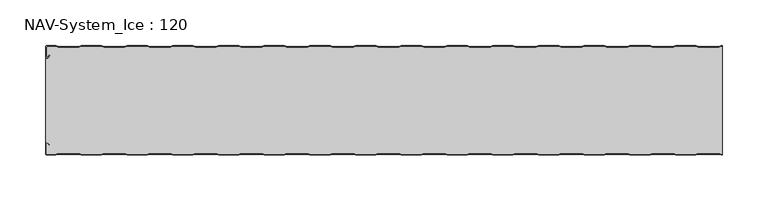
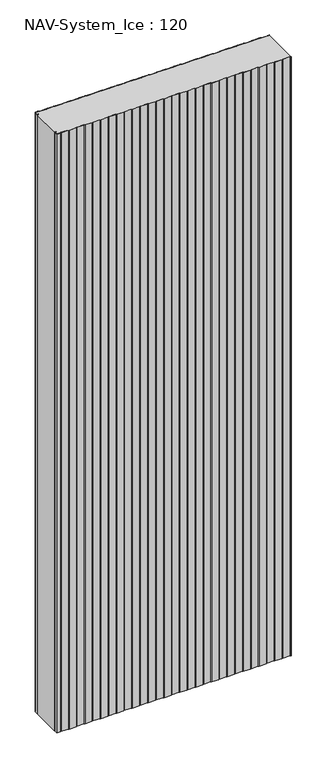
"""IFC4 building model written with IfcOpenShell, lengths in millimetres: plate geometry, NAV-System_Ice : 120."""

from ifc_helpers import new_model, si_unit, point, frame_2d, origin, origin_with_axes, place, context, project, spatial, polyline, circle_curve, trimmed, segment, composite_curve, outline, extrude, source, transform, mapped, element, save


def nav_system_ice_120_0c566bd6(model_context):
    return source(origin(), model_context, "Body", "SweptSolid", [
        extrude(outline(composite_curve([segment(polyline([(369.1298221, -0.8), (366.1298221, -1.8), (343.8701779, -1.8), (340.8701779, -0.8), (319.1298221, -0.8), (316.1298221, -1.8), (293.8701779, -1.8), (290.8701779, -0.8), (269.1298221, -0.8), (266.1298221, -1.8), (243.8701779, -1.8), (240.8701779, -0.8), (219.1298221, -0.8), (216.1298221, -1.8), (193.8701779, -1.8), (190.8701779, -0.8), (169.1298221, -0.8), (166.1298221, -1.8), (143.8701779, -1.8), (140.8701779, -0.8), (119.1298221, -0.8), (116.1298221, -1.8), (93.8701779, -1.8), (90.8701779, -0.8), (69.1298221, -0.8), (66.1298221, -1.8), (43.8701779, -1.8), (40.8701779, -0.8), (19.1298221, -0.8), (16.1298221, -1.8), (-6.1298221, -1.8), (-9.1298221, -0.8), (-30.8701779, -0.8), (-33.8701779, -1.8), (-56.1298221, -1.8), (-59.1298221, -0.8), (-80.8701779, -0.8), (-83.8701779, -1.8), (-106.1298221, -1.8), (-109.1298221, -0.8), (-130.8701779, -0.8), (-133.8701779, -1.8), (-156.1298221, -1.8), (-159.1298221, -0.8), (-180.8701779, -0.8), (-183.8701779, -1.8), (-206.1298221, -1.8), (-209.1298221, -0.8), (-230.8701779, -0.8), (-233.8701779, -1.8), (-256.1298221, -1.8), (-259.1298221, -0.8), (-280.8701779, -0.8), (-283.8701779, -1.8), (-306.1298221, -1.8), (-309.1298221, -0.8), (-330.8701779, -0.8), (-333.8701779, -1.8), (-356.1298221, -1.8), (-359.1298221, -0.8), (-368.7, -0.8)]), True, "CONTINUOUS"), segment(trimmed(circle_curve(frame_2d((-368.7, -1.3)), 0.5), [point((-368.7, -0.8))], [point((-369.2, -1.3))], True, "CARTESIAN"), True, "CONTINUOUS"), segment(polyline([(-369.2, -1.3), (-369.2, -12.5857864)]), True, "CONTINUOUS"), segment(trimmed(circle_curve(frame_2d((-368.7, -12.5857864)), 0.5), [point((-369.2, -12.5857864))], [point((-368.3464466, -12.9393398))], True, "CARTESIAN"), True, "CONTINUOUS"), segment(polyline([(-368.3464466, -12.9393398), (-365.9205321, -10.5134253), (-365.3548467, -11.0791108), (-367.7807612, -13.5050253)]), True, "CONTINUOUS"), segment(trimmed(circle_curve(frame_2d((-368.7, -12.5857864)), 1.3), [point((-367.7807612, -13.5050253))], [point((-370.0, -12.5857864))], False, "CARTESIAN"), True, "CONTINUOUS"), segment(polyline([(-370.0, -12.5857864), (-370.0, -1.3)]), True, "CONTINUOUS"), segment(trimmed(circle_curve(frame_2d((-368.7, -1.3)), 1.3), [point((-370.0, -1.3))], [point((-368.7, 0.0))], False, "CARTESIAN"), True, "CONTINUOUS"), segment(polyline([(-368.7, 0.0), (-359.0, 0.0), (-356.0, -1.0), (-334.0, -1.0), (-331.0, 0.0), (-309.0, 0.0), (-306.0, -1.0), (-284.0, -1.0), (-281.0, 0.0), (-259.0, 0.0), (-256.0, -1.0), (-234.0, -1.0), (-231.0, 0.0), (-209.0, 0.0), (-206.0, -1.0), (-184.0, -1.0), (-181.0, 0.0), (-159.0, 0.0), (-156.0, -1.0), (-134.0, -1.0), (-131.0, 0.0), (-109.0, 0.0), (-106.0, -1.0), (-84.0, -1.0), (-81.0, 0.0), (-59.0, 0.0), (-56.0, -1.0), (-34.0, -1.0), (-31.0, 0.0), (-9.0, 0.0), (-6.0, -1.0), (16.0, -1.0), (19.0, 0.0), (41.0, 0.0), (44.0, -1.0), (66.0, -1.0), (69.0, 0.0), (91.0, 0.0), (94.0, -1.0), (116.0, -1.0), (119.0, 0.0), (141.0, 0.0), (144.0, -1.0), (166.0, -1.0), (169.0, 0.0), (191.0, 0.0), (194.0, -1.0), (216.0, -1.0), (219.0, 0.0), (241.0, 0.0), (244.0, -1.0), (266.0, -1.0), (269.0, 0.0), (291.0, 0.0), (294.0, -1.0), (316.0, -1.0), (319.0, 0.0), (341.0, 0.0), (344.0, -1.0), (366.0, -1.0), (369.0, 0.0), (370.0, 0.0), (370.0, -0.8), (369.1298221, -0.8)]), True, "CONTINUOUS")], self_intersect=False)), origin_with_axes(), (0.0, 0.0, 1.0), 2000.0),
        extrude(outline(composite_curve([segment(polyline([(369.1298221, -119.2), (366.1298221, -118.2), (343.8701779, -118.2), (340.8701779, -119.2), (319.1298221, -119.2), (316.1298221, -118.2), (293.8701779, -118.2), (290.8701779, -119.2), (269.1298221, -119.2), (266.1298221, -118.2), (243.8701779, -118.2), (240.8701779, -119.2), (219.1298221, -119.2), (216.1298221, -118.2), (193.8701779, -118.2), (190.8701779, -119.2), (169.1298221, -119.2), (166.1298221, -118.2), (143.8701779, -118.2), (140.8701779, -119.2), (119.1298221, -119.2), (116.1298221, -118.2), (93.8701779, -118.2), (90.8701779, -119.2), (69.1298221, -119.2), (66.1298221, -118.2), (43.8701779, -118.2), (40.8701779, -119.2), (19.1298221, -119.2), (16.1298221, -118.2), (-6.1298221, -118.2), (-9.1298221, -119.2), (-30.8701779, -119.2), (-33.8701779, -118.2), (-56.1298221, -118.2), (-59.1298221, -119.2), (-80.8701779, -119.2), (-83.8701779, -118.2), (-106.1298221, -118.2), (-109.1298221, -119.2), (-130.8701779, -119.2), (-133.8701779, -118.2), (-156.1298221, -118.2), (-159.1298221, -119.2), (-180.8701779, -119.2), (-183.8701779, -118.2), (-206.1298221, -118.2), (-209.1298221, -119.2), (-230.8701779, -119.2), (-233.8701779, -118.2), (-256.1298221, -118.2), (-259.1298221, -119.2), (-280.8701779, -119.2), (-283.8701779, -118.2), (-306.1298221, -118.2), (-309.1298221, -119.2), (-330.8701779, -119.2), (-333.8701779, -118.2), (-356.1298221, -118.2), (-359.1298221, -119.2), (-368.7, -119.2)]), True, "CONTINUOUS"), segment(trimmed(circle_curve(frame_2d((-368.7, -118.7)), 0.5), [point((-368.7, -119.2))], [point((-369.2, -118.7))], False, "CARTESIAN"), True, "CONTINUOUS"), segment(polyline([(-369.2, -118.7), (-369.2, -107.4142136)]), True, "CONTINUOUS"), segment(trimmed(circle_curve(frame_2d((-368.7, -107.4142136)), 0.5), [point((-369.2, -107.4142136))], [point((-368.3464466, -107.0606602))], False, "CARTESIAN"), True, "CONTINUOUS"), segment(polyline([(-368.3464466, -107.0606602), (-365.9205321, -109.4865747), (-365.3548467, -108.9208892), (-367.7807612, -106.4949747)]), True, "CONTINUOUS"), segment(trimmed(circle_curve(frame_2d((-368.7, -107.4142136)), 1.3), [point((-367.7807612, -106.4949747))], [point((-368.7, -106.1142136))], True, "CARTESIAN"), True, "CONTINUOUS"), segment(polyline([(-368.7, -106.1142136), (-370.0, -106.1142136), (-370.0, -13.8857864), (-368.7, -13.8857864)]), True, "CONTINUOUS"), segment(trimmed(circle_curve(frame_2d((-368.7, -12.5857864)), 1.3), [point((-368.7, -13.8857864))], [point((-367.7807612, -13.5050253))], True, "CARTESIAN"), True, "CONTINUOUS"), segment(polyline([(-367.7807612, -13.5050253), (-365.3548467, -11.0791108), (-365.9205321, -10.5134253), (-368.3464466, -12.9393398)]), True, "CONTINUOUS"), segment(trimmed(circle_curve(frame_2d((-368.7, -12.5857864)), 0.5), [point((-368.3464466, -12.9393398))], [point((-369.2, -12.5857864))], False, "CARTESIAN"), True, "CONTINUOUS"), segment(polyline([(-369.2, -12.5857864), (-369.2, -1.3)]), True, "CONTINUOUS"), segment(trimmed(circle_curve(frame_2d((-368.7, -1.3)), 0.5), [point((-369.2, -1.3))], [point((-368.7, -0.8))], False, "CARTESIAN"), True, "CONTINUOUS"), segment(polyline([(-368.7, -0.8), (-359.1298221, -0.8), (-356.1298221, -1.8), (-333.8701779, -1.8), (-330.8701779, -0.8), (-309.1298221, -0.8), (-306.1298221, -1.8), (-283.8701779, -1.8), (-280.8701779, -0.8), (-259.1298221, -0.8), (-256.1298221, -1.8), (-233.8701779, -1.8), (-230.8701779, -0.8), (-209.1298221, -0.8), (-206.1298221, -1.8), (-183.8701779, -1.8), (-180.8701779, -0.8), (-159.1298221, -0.8), (-156.1298221, -1.8), (-133.8701779, -1.8), (-130.8701779, -0.8), (-109.1298221, -0.8), (-106.1298221, -1.8), (-83.8701779, -1.8), (-80.8701779, -0.8), (-59.1298221, -0.8), (-56.1298221, -1.8), (-33.8701779, -1.8), (-30.8701779, -0.8), (-9.1298221, -0.8), (-6.1298221, -1.8), (16.1298221, -1.8), (19.1298221, -0.8), (40.8701779, -0.8), (43.8701779, -1.8), (66.1298221, -1.8), (69.1298221, -0.8), (90.8701779, -0.8), (93.8701779, -1.8), (116.1298221, -1.8), (119.1298221, -0.8), (140.8701779, -0.8), (143.8701779, -1.8), (166.1298221, -1.8), (169.1298221, -0.8), (190.8701779, -0.8), (193.8701779, -1.8), (216.1298221, -1.8), (219.1298221, -0.8), (240.8701779, -0.8), (243.8701779, -1.8), (266.1298221, -1.8), (269.1298221, -0.8), (290.8701779, -0.8), (293.8701779, -1.8), (316.1298221, -1.8), (319.1298221, -0.8), (340.8701779, -0.8), (343.8701779, -1.8), (366.1298221, -1.8), (369.1298221, -0.8), (370.0, -0.8), (370.0, -119.2), (369.1298221, -119.2)]), True, "CONTINUOUS")], self_intersect=False)), origin_with_axes(), (0.0, 0.0, 1.0), 2000.0),
        extrude(outline(composite_curve([segment(polyline([(369.0, -120.0), (366.0, -119.0), (344.0, -119.0), (341.0, -120.0), (319.0, -120.0), (316.0, -119.0), (294.0, -119.0), (291.0, -120.0), (269.0, -120.0), (266.0, -119.0), (244.0, -119.0), (241.0, -120.0), (219.0, -120.0), (216.0, -119.0), (194.0, -119.0), (191.0, -120.0), (169.0, -120.0), (166.0, -119.0), (144.0, -119.0), (141.0, -120.0), (119.0, -120.0), (116.0, -119.0), (94.0, -119.0), (91.0, -120.0), (69.0, -120.0), (66.0, -119.0), (44.0, -119.0), (41.0, -120.0), (19.0, -120.0), (16.0, -119.0), (-6.0, -119.0), (-9.0, -120.0), (-31.0, -120.0), (-34.0, -119.0), (-56.0, -119.0), (-59.0, -120.0), (-81.0, -120.0), (-84.0, -119.0), (-106.0, -119.0), (-109.0, -120.0), (-131.0, -120.0), (-134.0, -119.0), (-156.0, -119.0), (-159.0, -120.0), (-181.0, -120.0), (-184.0, -119.0), (-206.0, -119.0), (-209.0, -120.0), (-231.0, -120.0), (-234.0, -119.0), (-256.0, -119.0), (-259.0, -120.0), (-281.0, -120.0), (-284.0, -119.0), (-306.0, -119.0), (-309.0, -120.0), (-331.0, -120.0), (-334.0, -119.0), (-356.0, -119.0), (-359.0, -120.0), (-368.7, -120.0)]), True, "CONTINUOUS"), segment(trimmed(circle_curve(frame_2d((-368.7, -118.7)), 1.3), [point((-368.7, -120.0))], [point((-370.0, -118.7))], False, "CARTESIAN"), True, "CONTINUOUS"), segment(polyline([(-370.0, -118.7), (-370.0, -107.4142136)]), True, "CONTINUOUS"), segment(trimmed(circle_curve(frame_2d((-368.7, -107.4142136)), 1.3), [point((-370.0, -107.4142136))], [point((-367.7807612, -106.4949747))], False, "CARTESIAN"), True, "CONTINUOUS"), segment(polyline([(-367.7807612, -106.4949747), (-365.3548467, -108.9208892), (-365.9205321, -109.4865747), (-368.3464466, -107.0606602)]), True, "CONTINUOUS"), segment(trimmed(circle_curve(frame_2d((-368.7, -107.4142136)), 0.5), [point((-368.3464466, -107.0606602))], [point((-369.2, -107.4142136))], True, "CARTESIAN"), True, "CONTINUOUS"), segment(polyline([(-369.2, -107.4142136), (-369.2, -118.7)]), True, "CONTINUOUS"), segment(trimmed(circle_curve(frame_2d((-368.7, -118.7)), 0.5), [point((-369.2, -118.7))], [point((-368.7, -119.2))], True, "CARTESIAN"), True, "CONTINUOUS"), segment(polyline([(-368.7, -119.2), (-359.1298221, -119.2), (-356.1298221, -118.2), (-333.8701779, -118.2), (-330.8701779, -119.2), (-309.1298221, -119.2), (-306.1298221, -118.2), (-283.8701779, -118.2), (-280.8701779, -119.2), (-259.1298221, -119.2), (-256.1298221, -118.2), (-233.8701779, -118.2), (-230.8701779, -119.2), (-209.1298221, -119.2), (-206.1298221, -118.2), (-183.8701779, -118.2), (-180.8701779, -119.2), (-159.1298221, -119.2), (-156.1298221, -118.2), (-133.8701779, -118.2), (-130.8701779, -119.2), (-109.1298221, -119.2), (-106.1298221, -118.2), (-83.8701779, -118.2), (-80.8701779, -119.2), (-59.1298221, -119.2), (-56.1298221, -118.2), (-33.8701779, -118.2), (-30.8701779, -119.2), (-9.1298221, -119.2), (-6.1298221, -118.2), (16.1298221, -118.2), (19.1298221, -119.2), (40.8701779, -119.2), (43.8701779, -118.2), (66.1298221, -118.2), (69.1298221, -119.2), (90.8701779, -119.2), (93.8701779, -118.2), (116.1298221, -118.2), (119.1298221, -119.2), (140.8701779, -119.2), (143.8701779, -118.2), (166.1298221, -118.2), (169.1298221, -119.2), (190.8701779, -119.2), (193.8701779, -118.2), (216.1298221, -118.2), (219.1298221, -119.2), (240.8701779, -119.2), (243.8701779, -118.2), (266.1298221, -118.2), (269.1298221, -119.2), (290.8701779, -119.2), (293.8701779, -118.2), (316.1298221, -118.2), (319.1298221, -119.2), (340.8701779, -119.2), (343.8701779, -118.2), (366.1298221, -118.2), (369.1298221, -119.2), (370.0, -119.2), (370.0, -120.0), (369.0, -120.0)]), True, "CONTINUOUS")], self_intersect=False)), origin_with_axes(), (0.0, 0.0, 1.0), 2000.0),
    ])


if __name__ == "__main__":
    model = new_model("IFC4")
    model_context = context("Model", 3, world=origin())
    ifc_project = project(units=[si_unit("LENGTHUNIT", "METRE", prefix="MILLI")], contexts=[model_context])
    site = spatial("IfcSite", under=ifc_project)
    building = spatial("IfcBuilding", under=site)
    placement = place(None, origin())
    nav_system_ice_120_shape = nav_system_ice_120_0c566bd6(model_context)
    element("IfcPlate", 1, ObjectType="NAV-System_Ice : 120", at=placement, inside=building, context=model_context, shape_type="MappedRepresentation", body=[
        mapped(nav_system_ice_120_shape, transform((0.0, 0.0, 0.0), x_axis=(1.0, 0.0, 0.0), y_axis=(0.0, 1.0, 0.0), z_axis=(0.0, 0.0, 1.0))),
    ])
    save(model, "model.ifc")
